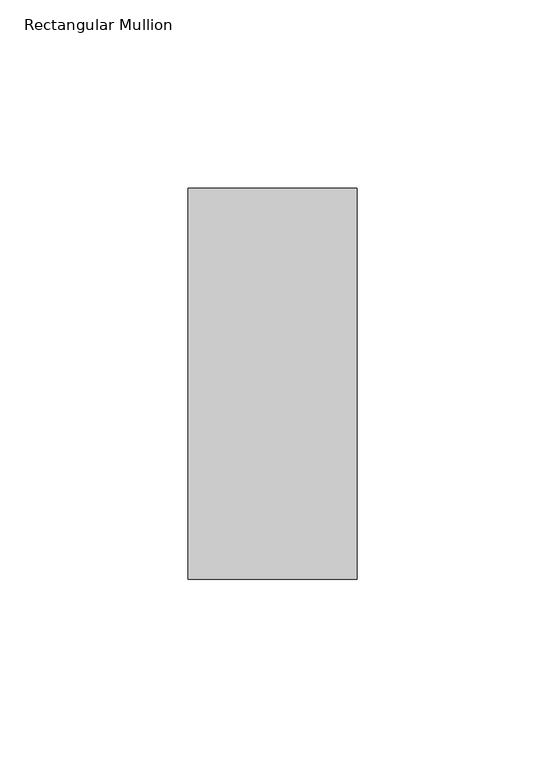
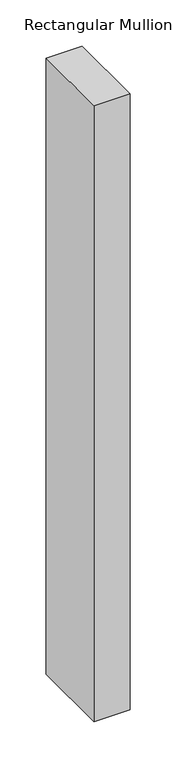
"""IFC4 building model written with IfcOpenShell, lengths in millimetres: member geometry, Rectangular Mullion."""

from ifc_helpers import new_model, si_unit, frame, origin, place, context, project, spatial, polyline, outline, extrude, source, transform, mapped, element, save


def rectangular_mullion_fdeb210a(model_context):
    return source(origin(), model_context, "Body", "SweptSolid", [
        extrude(outline(polyline([(22.5, 67.525), (22.5, -36.525), (-22.5, -36.525), (-22.5, 67.525), (22.5, 67.525)])), frame((0.0, 0.0, -814.6354352), z_axis=(0.0, 0.0, 1.0), x_axis=(1.0, 0.0, 0.0)), (0.0, 0.0, 1.0), 814.6354352),
    ])


if __name__ == "__main__":
    model = new_model("IFC4")
    model_context = context("Model", 3, world=origin())
    ifc_project = project(units=[si_unit("LENGTHUNIT", "METRE", prefix="MILLI")], contexts=[model_context])
    site = spatial("IfcSite", under=ifc_project)
    building = spatial("IfcBuilding", under=site)
    placement = place(None, origin())
    rectangular_mullion_shape = rectangular_mullion_fdeb210a(model_context)
    element("IfcMember", 1, ObjectType="Rectangular Mullion", at=placement, inside=building, context=model_context, shape_type="MappedRepresentation", body=[
        mapped(rectangular_mullion_shape, transform((0.0, 0.0, 0.0), x_axis=(1.0, 0.0, 0.0), y_axis=(0.0, 1.0, 0.0), z_axis=(0.0, 0.0, 1.0))),
    ])
    save(model, "model.ifc")
